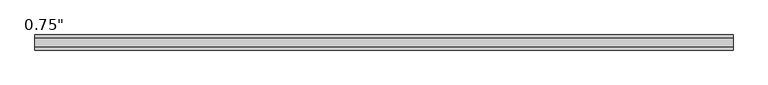
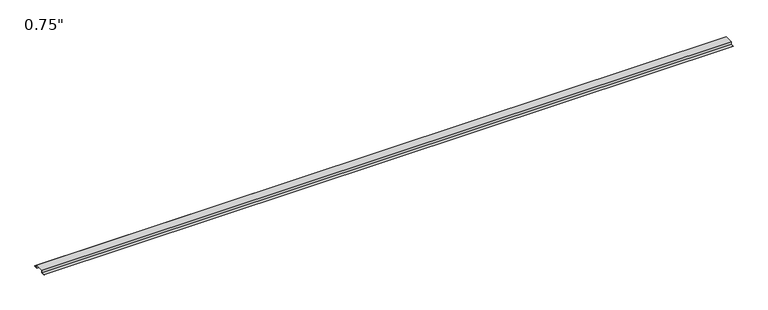
"""IFC4 building model written with IfcOpenShell, lengths in millimetres: proxy geometry."""

from ifc_helpers import new_model, si_unit, frame, origin, place, context, project, spatial, polyline, outline, extrude, source, transform, mapped, element, save


def proxy_e8af6159(model_context):
    return source(origin(), model_context, "Body", "SweptSolid", [
        extrude(outline(polyline([(46.0559645, -17.4625), (25.4, -17.4625), (25.4, 0.0), (-25.4, 0.0), (-25.4, -17.4625), (-46.0559645, -17.4625), (-46.0559645, -15.8492), (-27.0129, -15.8492), (-27.0129, 1.6129), (27.0129, 1.6129), (27.0129, -15.8492), (46.0559645, -15.8492), (46.0559645, -17.4625)])), frame((0.0, 0.0, 0.0), z_axis=(1.0, 0.0, 0.0), x_axis=(0.0, 1.0, 0.0)), (0.0, 0.0, 1.0), 4246.563),
    ])


if __name__ == "__main__":
    model = new_model("IFC4")
    model_context = context("Model", 3, world=origin())
    ifc_project = project(units=[si_unit("LENGTHUNIT", "METRE", prefix="MILLI")], contexts=[model_context])
    site = spatial("IfcSite", under=ifc_project)
    building = spatial("IfcBuilding", under=site)
    placement = place(None, origin())
    proxy_shape = proxy_e8af6159(model_context)
    element("IfcBuildingElementProxy", 1, Name="0.75\"", ObjectType="0.75\"", at=placement, inside=building, context=model_context, shape_type="MappedRepresentation", body=[
        mapped(proxy_shape, transform((0.0, 0.0, 0.0), x_axis=(1.0, 0.0, 0.0), y_axis=(0.0, 1.0, 0.0), z_axis=(0.0, 0.0, 1.0))),
    ])
    save(model, "model.ifc")
